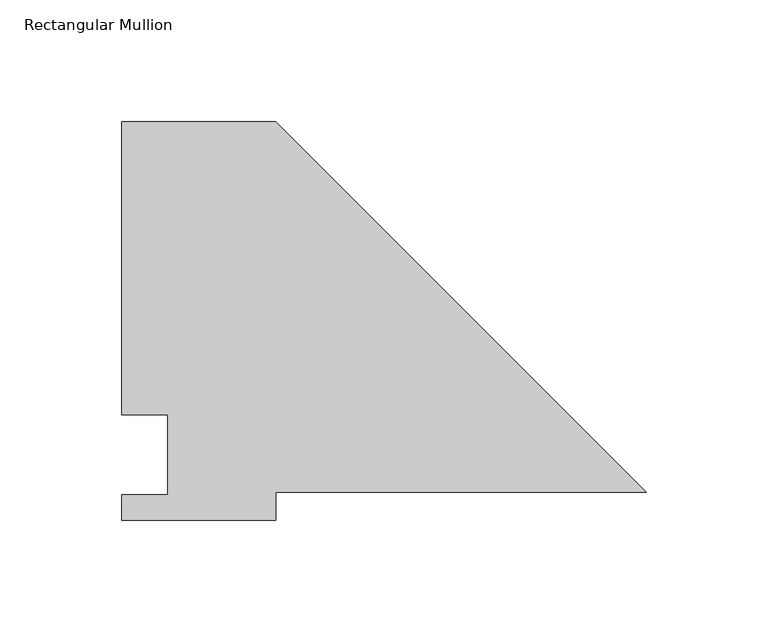
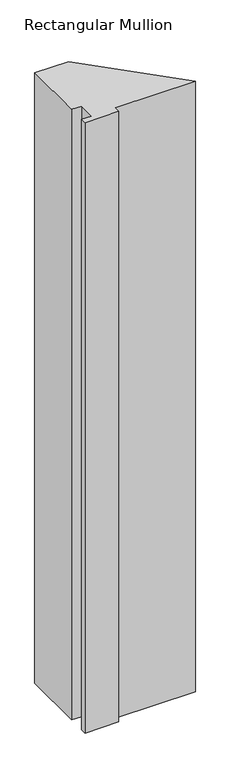
"""IFC4 building model written with IfcOpenShell, lengths in millimetres: member geometry, Rectangular Mullion."""

from ifc_helpers import new_model, si_unit, frame, origin, place, context, project, spatial, polyline, outline, extrude, source, transform, mapped, element, save


def rectangular_mullion_4894b706(model_context):
    return source(origin(), model_context, "Body", "SweptSolid", [
        extrude(outline(polyline([(-152.4, 152.4), (0.0, 0.0), (-152.4, 0.0), (-152.4, -11.684), (-215.9, -11.684), (-215.9, -1.016), (-196.85, -1.016), (-196.85, 31.75), (-215.9, 31.75), (-215.9, 152.4), (-152.4, 152.4)])), frame((0.0, 0.0, -1219.2), z_axis=(0.0, 0.0, 1.0), x_axis=(1.0, 0.0, 0.0)), (0.0, 0.0, 1.0), 1219.2),
    ])


if __name__ == "__main__":
    model = new_model("IFC4")
    model_context = context("Model", 3, world=origin())
    ifc_project = project(units=[si_unit("LENGTHUNIT", "METRE", prefix="MILLI")], contexts=[model_context])
    site = spatial("IfcSite", under=ifc_project)
    building = spatial("IfcBuilding", under=site)
    placement = place(None, origin())
    rectangular_mullion_shape = rectangular_mullion_4894b706(model_context)
    element("IfcMember", 1, ObjectType="Rectangular Mullion", at=placement, inside=building, context=model_context, shape_type="MappedRepresentation", body=[
        mapped(rectangular_mullion_shape, transform((0.0, 0.0, 0.0), x_axis=(1.0, 0.0, 0.0), y_axis=(0.0, 1.0, 0.0), z_axis=(0.0, 0.0, 1.0))),
    ])
    save(model, "model.ifc")
